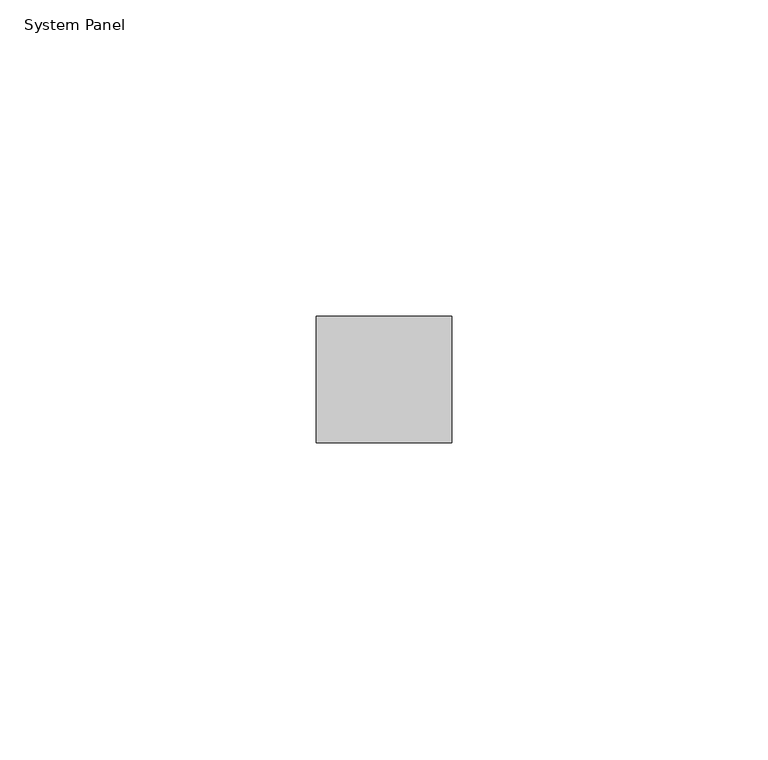
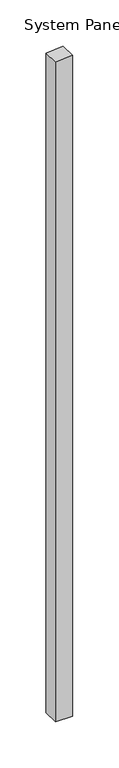
"""IFC4 building model written with IfcOpenShell, lengths in millimetres: plate geometry, System Panel."""

from ifc_helpers import new_model, si_unit, frame, origin, place, context, project, spatial, polyline, outline, extrude, source, transform, mapped, element, save


def system_panel_34c16122(model_context):
    return source(origin(), model_context, "Body", "SweptSolid", [
        extrude(outline(polyline([(0.0, -10.7114244), (0.0, 10.7114244), (871.0993738, 10.7114244), (869.5225486, -10.7114244), (0.0, -10.7114244)])), frame((0.0, -10.0, 0.0), z_axis=(0.0, 1.0, 0.0), x_axis=(0.0, 0.0, 1.0)), (0.0, 0.0, 1.0), 20.0),
    ])


if __name__ == "__main__":
    model = new_model("IFC4")
    model_context = context("Model", 3, world=origin())
    ifc_project = project(units=[si_unit("LENGTHUNIT", "METRE", prefix="MILLI")], contexts=[model_context])
    site = spatial("IfcSite", under=ifc_project)
    building = spatial("IfcBuilding", under=site)
    placement = place(None, origin())
    system_panel_shape = system_panel_34c16122(model_context)
    element("IfcPlate", 1, ObjectType="System Panel", at=placement, inside=building, context=model_context, shape_type="MappedRepresentation", body=[
        mapped(system_panel_shape, transform((0.0, 0.0, 0.0), x_axis=(1.0, 0.0, 0.0), y_axis=(0.0, 1.0, 0.0), z_axis=(0.0, 0.0, 1.0))),
    ])
    save(model, "model.ifc")
